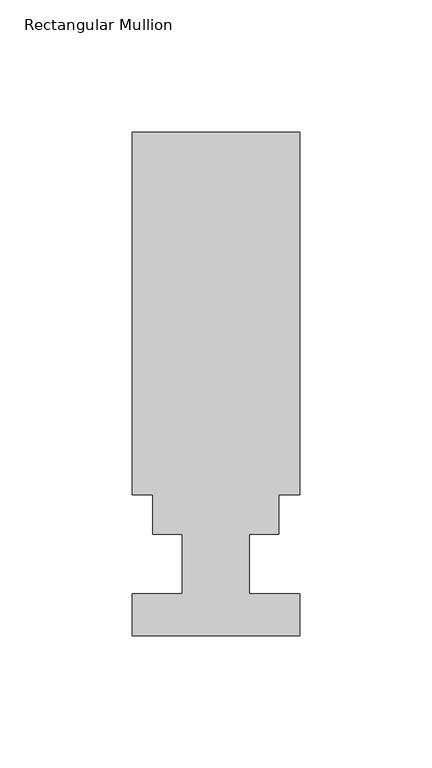
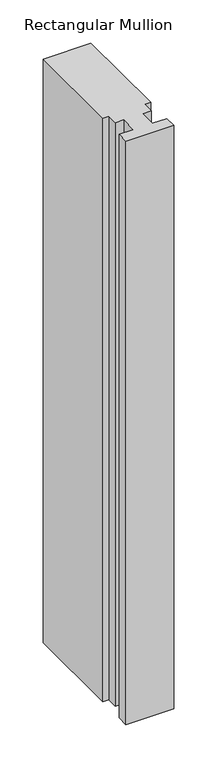
"""IFC4 building model written with IfcOpenShell, lengths in millimetres: member geometry, Rectangular Mullion."""

from ifc_helpers import new_model, si_unit, frame, origin, place, context, project, spatial, polyline, outline, extrude, source, transform, mapped, element, save


def rectangular_mullion_7f502977(model_context):
    return source(origin(), model_context, "Body", "SweptSolid", [
        extrude(outline(polyline([(-31.75, 15.1614187), (-31.75, 152.4992188), (31.75, 152.4992188), (31.75, 15.1614188), (23.8252, 15.1614188), (23.8252, 0.0992188), (12.7, 0.0992188), (12.7, -22.3797812), (31.75, -22.3797812), (31.75, -38.2547812), (-31.75, -38.2547812), (-31.75, -22.3543812), (-12.7, -22.3543812), (-12.7, 0.0992188), (-23.8252, 0.0992187), (-23.8252, 15.1614187), (-31.75, 15.1614187)])), frame((0.0, 0.0, -821.7872584), z_axis=(0.0, 0.0, 1.0), x_axis=(1.0, 0.0, 0.0)), (0.0, 0.0, 1.0), 821.7872584),
    ])


if __name__ == "__main__":
    model = new_model("IFC4")
    model_context = context("Model", 3, world=origin())
    ifc_project = project(units=[si_unit("LENGTHUNIT", "METRE", prefix="MILLI")], contexts=[model_context])
    site = spatial("IfcSite", under=ifc_project)
    building = spatial("IfcBuilding", under=site)
    placement = place(None, origin())
    rectangular_mullion_shape = rectangular_mullion_7f502977(model_context)
    element("IfcMember", 1, ObjectType="Rectangular Mullion", at=placement, inside=building, context=model_context, shape_type="MappedRepresentation", body=[
        mapped(rectangular_mullion_shape, transform((0.0, 0.0, 0.0), x_axis=(1.0, 0.0, 0.0), y_axis=(0.0, 1.0, 0.0), z_axis=(0.0, 0.0, 1.0))),
    ])
    save(model, "model.ifc")
